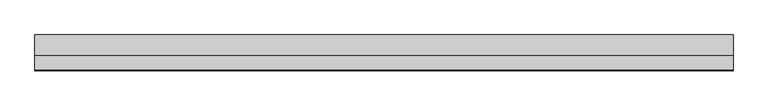
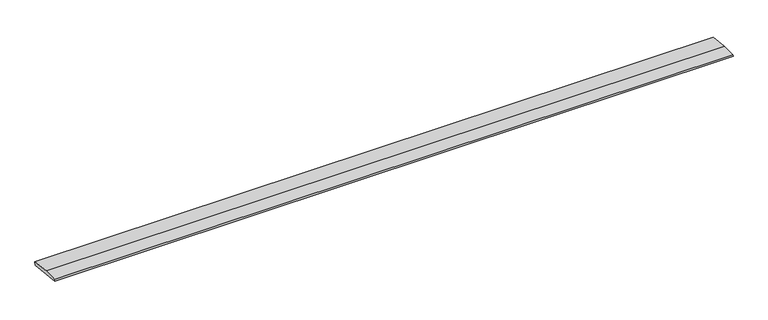
"""IFC4 building model written with IfcOpenShell, lengths in millimetres: beam geometry."""

from ifc_helpers import new_model, si_unit, frame, origin, place, context, project, spatial, polyline, outline, extrude, source, transform, mapped, element, save


def beam_e4c2bb90(model_context):
    return source(origin(), model_context, "Body", "SweptSolid", [
        extrude(outline(polyline([(0.0, -9.143159), (1.1226388, 0.0), (79.0749747, 0.0), (180.9387048, -12.5072934), (178.6231873, -31.3656703), (0.0, -9.143159)])), frame((-1767.5688809, 0.0, 0.0), z_axis=(1.0, 0.0, 0.0), x_axis=(0.0, 1.0, 0.0)), (0.0, 0.0, 1.0), 3535.1377619),
    ])


if __name__ == "__main__":
    model = new_model("IFC4")
    model_context = context("Model", 3, world=origin())
    ifc_project = project(units=[si_unit("LENGTHUNIT", "METRE", prefix="MILLI")], contexts=[model_context])
    site = spatial("IfcSite", under=ifc_project)
    building = spatial("IfcBuilding", under=site)
    placement = place(None, origin())
    beam_shape = beam_e4c2bb90(model_context)
    element("IfcBeam", 1, at=placement, inside=building, context=model_context, shape_type="MappedRepresentation", body=[
        mapped(beam_shape, transform((0.0, 0.0, 0.0), x_axis=(1.0, 0.0, 0.0), y_axis=(0.0, 1.0, 0.0), z_axis=(0.0, 0.0, 1.0))),
    ])
    save(model, "model.ifc")
